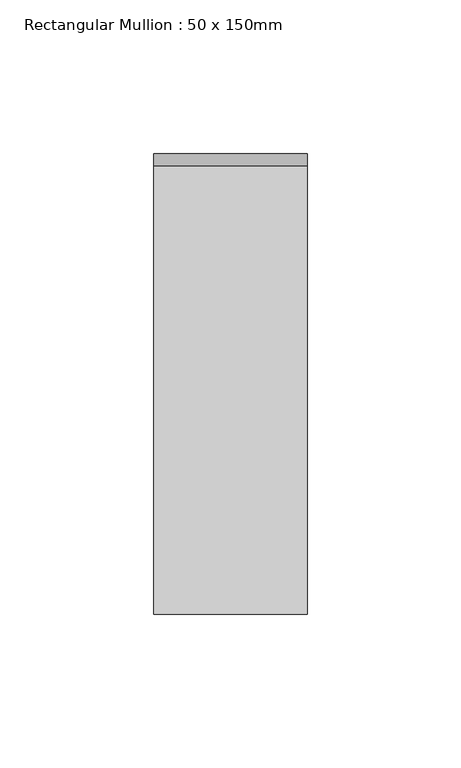
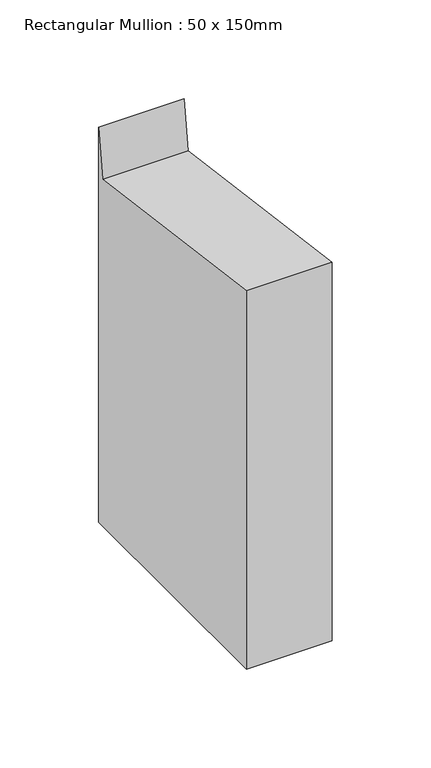
"""IFC4 building model written with IfcOpenShell, lengths in millimetres: member geometry, Rectangular Mullion : 50 x 150mm."""

from ifc_helpers import new_model, si_unit, frame, origin, place, context, project, spatial, polyline, outline, extrude, source, transform, mapped, element, save


def rectangular_mullion_50_x_150mm_08646de4(model_context):
    return source(origin(), model_context, "Body", "SweptSolid", [
        extrude(outline(polyline([(-75.0, 9.7896196), (71.0328341, -9.7035513), (75.0, 20.0164197), (75.0, -224.1542008), (-75.0, -224.1542008), (-75.0, 9.7896196)])), frame((-25.0, 0.0, 0.0), z_axis=(1.0, 0.0, 0.0), x_axis=(0.0, 1.0, 0.0)), (0.0, 0.0, 1.0), 50.0),
    ])


if __name__ == "__main__":
    model = new_model("IFC4")
    model_context = context("Model", 3, world=origin())
    ifc_project = project(units=[si_unit("LENGTHUNIT", "METRE", prefix="MILLI")], contexts=[model_context])
    site = spatial("IfcSite", under=ifc_project)
    building = spatial("IfcBuilding", under=site)
    placement = place(None, origin())
    rectangular_mullion_50_x_150mm_shape = rectangular_mullion_50_x_150mm_08646de4(model_context)
    element("IfcMember", 1, ObjectType="Rectangular Mullion : 50 x 150mm", at=placement, inside=building, context=model_context, shape_type="MappedRepresentation", body=[
        mapped(rectangular_mullion_50_x_150mm_shape, transform((0.0, 0.0, 0.0), x_axis=(1.0, 0.0, 0.0), y_axis=(0.0, 1.0, 0.0), z_axis=(0.0, 0.0, 1.0))),
    ])
    save(model, "model.ifc")
